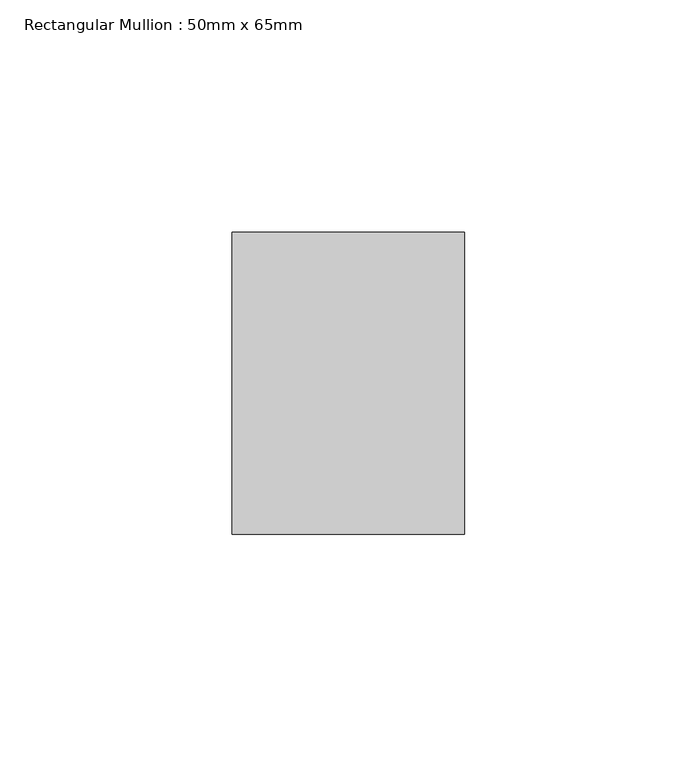
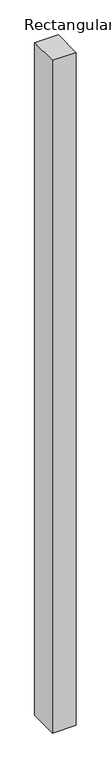
"""IFC4 building model written with IfcOpenShell, lengths in millimetres: member geometry, Rectangular Mullion : 50mm x 65mm."""

from ifc_helpers import new_model, si_unit, origin, place, context, project, spatial, faceted_brep, source, transform, mapped, element, save


def rectangular_mullion_50mm_x_65mm_6a4f53f4(model_context):
    return source(origin(), model_context, "Body", "Brep", [
        faceted_brep([(-25.0, 32.5, -0.0443362), (25.0, 32.5, -0.0443359), (25.0, 32.5, -1499.9019034), (-25.0, 32.5, -1499.9019027), (-25.0, -32.5, 0.0443359), (-25.0, -32.5, -1500.0980794), (25.0, -32.5, 0.0443362), (25.0, -32.5, -1500.0980801)], [[[0, 1, 2, 3]], [[4, 0, 3, 5]], [[6, 4, 5, 7]], [[1, 6, 7, 2]], [[1, 0, 4, 6]], [[2, 7, 5, 3]]]),
    ])


if __name__ == "__main__":
    model = new_model("IFC4")
    model_context = context("Model", 3, world=origin())
    ifc_project = project(units=[si_unit("LENGTHUNIT", "METRE", prefix="MILLI")], contexts=[model_context])
    site = spatial("IfcSite", under=ifc_project)
    building = spatial("IfcBuilding", under=site)
    placement = place(None, origin())
    rectangular_mullion_50mm_x_65mm_shape = rectangular_mullion_50mm_x_65mm_6a4f53f4(model_context)
    element("IfcMember", 1, ObjectType="Rectangular Mullion : 50mm x 65mm", at=placement, inside=building, context=model_context, shape_type="MappedRepresentation", body=[
        mapped(rectangular_mullion_50mm_x_65mm_shape, transform((0.0, 0.0, 0.0), x_axis=(1.0, 0.0, 0.0), y_axis=(0.0, 1.0, 0.0), z_axis=(0.0, 0.0, 1.0))),
    ])
    save(model, "model.ifc")
